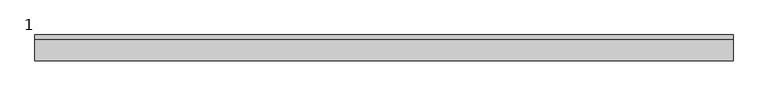
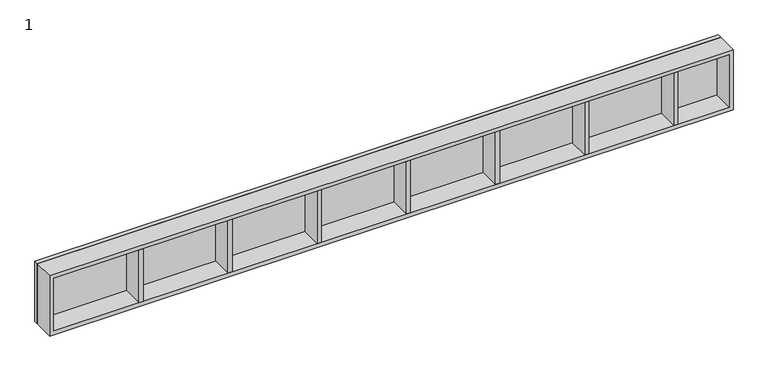
"""IFC4 building model written with IfcOpenShell, lengths in millimetres: proxy geometry, 1."""

import ifcopenshell
import ifcopenshell.guid

model = None  # the IFC model being written
_history = None  # IfcOwnerHistory: only IFC2X3 demands one
_inside = {}  # id of a spatial element -> (the spatial element, [elements in it])
_under = {}  # id of a project, library or spatial element -> (it, [spatial elements below it])
_declared = {}  # id of a project -> (the project, [libraries it declares])
_typed = {}  # id of a type object -> (the type object, [elements of that type])
_made_of = {}  # id of a material, layer set ... -> (it, [elements and type objects made of it])


def new_model(schema):
    """Start an empty IFC model of exactly this schema.

    Asked for "IFC4X3", IfcOpenShell would pick the latest addendum, in which some entities
    have other attributes; the version numbers below select the first issue.
    IFC2X3 requires an IfcOwnerHistory on every rooted entity: one is made here for all.
    """
    global model, _history
    if schema == "IFC4X3":
        model = ifcopenshell.file(schema_version=(4, 3, 0, 0))
    else:
        model = ifcopenshell.file(schema=schema)
    _inside.clear()
    _under.clear()
    _declared.clear()
    _typed.clear()
    _made_of.clear()
    _history = None
    if model.schema == "IFC2X3":
        org = make("IfcOrganization", Name="unknown")
        user = make(
            "IfcPersonAndOrganization",
            ThePerson=make("IfcPerson", FamilyName="unknown"),
            TheOrganization=org,
        )
        app = make(
            "IfcApplication",
            ApplicationDeveloper=org,
            Version="unknown",
            ApplicationFullName="unknown",
            ApplicationIdentifier="unknown",
        )
        _history = make(
            "IfcOwnerHistory",
            OwningUser=user,
            OwningApplication=app,
            ChangeAction="ADDED",
            CreationDate=0,
        )
    return model


def make(cls, **values):
    """One entity of the class cls with the attributes given. An attribute that is None is left unset."""
    return model.create_entity(
        cls, **{name: value for name, value in values.items() if value is not None}
    )


def rooted(cls, **values):
    """An entity with a GlobalId (a new one), such as an element, a storey or a relation."""
    return make(cls, GlobalId=ifcopenshell.guid.new(), OwnerHistory=_history, **values)


def si_unit(unit_type, name, prefix=None):
    """IfcSIUnit, for example si_unit("LENGTHUNIT", "METRE", prefix="MILLI")."""
    return make("IfcSIUnit", UnitType=unit_type, Prefix=prefix, Name=name)


def assignment(units):
    """IfcUnitAssignment: the units of a project."""
    return None if units is None else make("IfcUnitAssignment", Units=units)


def point(xyz):
    """IfcCartesianPoint."""
    return None if xyz is None else make("IfcCartesianPoint", Coordinates=xyz)


def direction(xyz):
    """IfcDirection."""
    return None if xyz is None else make("IfcDirection", DirectionRatios=xyz)


def frame(location, z_axis=None, x_axis=None):
    """IfcAxis2Placement3D, a coordinate frame: its origin and axes. An axis left out is left unset."""
    return make(
        "IfcAxis2Placement3D",
        Location=point(location),
        Axis=direction(z_axis),
        RefDirection=direction(x_axis),
    )


def origin():
    """The frame at (0, 0, 0) with its axes left unset."""
    return frame((0.0, 0.0, 0.0))


def place(relative_to, where):
    """IfcLocalPlacement: puts the frame where relative to a parent placement (None: the world)."""
    return make(
        "IfcLocalPlacement", PlacementRelTo=relative_to, RelativePlacement=where
    )


def context(
    kind, dimensions, precision=None, world=None, true_north=None, identifier=None
):
    """IfcGeometricRepresentationContext, for example the 3D "Model" context."""
    return make(
        "IfcGeometricRepresentationContext",
        ContextIdentifier=identifier,
        ContextType=kind,
        CoordinateSpaceDimension=dimensions,
        Precision=precision,
        WorldCoordinateSystem=world,
        TrueNorth=true_north,
    )


def project(units=None, contexts=None):
    """IfcProject with its units and contexts."""
    return rooted(
        "IfcProject",
        Name="project",
        RepresentationContexts=contexts,
        UnitsInContext=assignment(units),
    )


def spatial(cls, under=None, at=None, **own):
    """A site, building, storey or space (cls), placed at a placement, below another one or the project."""
    s = rooted(cls, ObjectPlacement=at, **own)
    if under is not None:
        _under.setdefault(under.id(), (under, []))[1].append(s)
    return s


def polyline(points):
    """IfcPolyline through the points."""
    return make("IfcPolyline", Points=[point(p) for p in points])


def outline(outer, holes=None, kind="AREA"):
    """IfcArbitraryClosedProfileDef: a profile drawn as a closed curve; with holes, ...WithVoids."""
    if holes is None:
        return make("IfcArbitraryClosedProfileDef", ProfileType=kind, OuterCurve=outer)
    return make(
        "IfcArbitraryProfileDefWithVoids",
        ProfileType=kind,
        OuterCurve=outer,
        InnerCurves=holes,
    )


def extrude(swept, where, along, depth):
    """IfcExtrudedAreaSolid: the profile swept, set in the frame where, extruded along a direction by depth."""
    return make(
        "IfcExtrudedAreaSolid",
        SweptArea=swept,
        Position=where,
        ExtrudedDirection=direction(along),
        Depth=depth,
    )


def shape(context_of_items, identifier, shape_type, items):
    """IfcShapeRepresentation: the items that make up one representation, for example the "Body"."""
    return make(
        "IfcShapeRepresentation",
        ContextOfItems=context_of_items,
        RepresentationIdentifier=identifier,
        RepresentationType=shape_type,
        Items=items,
    )


def source(mapping_origin, context_of_items, identifier, shape_type, items):
    """IfcRepresentationMap: a shape defined once, which mapped items show again and again."""
    return make(
        "IfcRepresentationMap",
        MappingOrigin=mapping_origin,
        MappedRepresentation=shape(context_of_items, identifier, shape_type, items),
    )


def transform(
    local_origin,
    x_axis=None,
    y_axis=None,
    z_axis=None,
    scale=None,
    scale2=None,
    scale3=None,
    uniform=True,
):
    """IfcCartesianTransformationOperator3D, or its non-uniform kind. x_axis, y_axis, z_axis: its Axis1, 2, 3."""
    if uniform:
        return make(
            "IfcCartesianTransformationOperator3D",
            Axis1=direction(x_axis),
            Axis2=direction(y_axis),
            LocalOrigin=point(local_origin),
            Scale=scale,
            Axis3=direction(z_axis),
        )
    return make(
        "IfcCartesianTransformationOperator3DnonUniform",
        Axis1=direction(x_axis),
        Axis2=direction(y_axis),
        LocalOrigin=point(local_origin),
        Scale=scale,
        Axis3=direction(z_axis),
        Scale2=scale2,
        Scale3=scale3,
    )


def mapped(mapping_source, mapping_target):
    """IfcMappedItem: shows the shape of a source again, moved by a transform."""
    return make(
        "IfcMappedItem", MappingSource=mapping_source, MappingTarget=mapping_target
    )


def made_of(thing, what):
    """Note that an element or type object is made of a material, layer set ...; save() writes the relation."""
    if what is not None:
        _made_of.setdefault(what.id(), (what, []))[1].append(thing)
    return thing


def element(
    cls,
    number,
    at=None,
    inside=None,
    cuts=None,
    type_object=None,
    material=None,
    context=None,
    identifier="Body",
    shape_type=None,
    held_by="IfcProductDefinitionShape",
    body=None,
    shapes=None,
    **own,
):
    """One element of the class cls, such as IfcWall. Its Tag is "e" and its number.

    at: its placement. inside: the storey or other place that contains it. cuts: it is an
    opening in that element (IfcRelVoidsElement). A single representation is given by context,
    identifier, shape_type and body (its items); several are given by shapes. held_by: the class
    of the entity that holds the representations. save() writes the other relations.
    """
    e = rooted(cls, Tag="e%d" % number, ObjectPlacement=at, **own)
    if body is not None:
        shapes = [shape(context, identifier, shape_type, body)]
    if shapes is not None:
        e.Representation = make(held_by, Representations=shapes)
    if inside is not None:
        _inside.setdefault(inside.id(), (inside, []))[1].append(e)
    if cuts is not None:
        rooted(
            "IfcRelVoidsElement", RelatingBuildingElement=cuts, RelatedOpeningElement=e
        )
    if type_object is not None:
        _typed.setdefault(type_object.id(), (type_object, []))[1].append(e)
    return made_of(e, material)


def aggregate(whole, parts):
    """IfcRelAggregates: a whole, such as a stair, and the parts it consists of."""
    return rooted("IfcRelAggregates", RelatingObject=whole, RelatedObjects=parts)


def save(model, path):
    """Write the relations noted so far, then the file.

    IfcRelAggregates (storeys below a building ...), IfcRelContainedInSpatialStructure (elements
    in a storey), IfcRelDefinesByType, IfcRelAssociatesMaterial and IfcRelDeclares: one each for
    every whole, place, type object, material and project.
    """
    for whole, parts in _under.values():
        aggregate(whole, parts)
    for where, things in _inside.values():
        rooted(
            "IfcRelContainedInSpatialStructure",
            RelatedElements=things,
            RelatingStructure=where,
        )
    for kind, things in _typed.values():
        rooted("IfcRelDefinesByType", RelatedObjects=things, RelatingType=kind)
    for what, things in _made_of.values():
        rooted("IfcRelAssociatesMaterial", RelatedObjects=things, RelatingMaterial=what)
    for by, libraries in _declared.values():
        rooted("IfcRelDeclares", RelatingContext=by, RelatedDefinitions=libraries)
    model.write(path)


def proxy_1_bacaf9ad(model_context):
    return source(origin(), model_context, "Body", "SweptSolid", [
        extrude(outline(polyline([(1480.0, -60.0), (1470.0, -60.0), (1470.0, -10.0), (1480.0, -10.0), (1480.0, -60.0)])), frame((0.0, 0.0, 470.0), z_axis=(0.0, 0.0, 1.0), x_axis=(1.0, 0.0, 0.0)), (0.0, 0.0, 1.0), 130.0),
        extrude(outline(polyline([(1610.0, -10.0), (0.0, -10.0), (0.0, 0.0), (1610.0, 0.0), (1610.0, -10.0)])), frame((0.0, 0.0, 460.0), z_axis=(0.0, 0.0, 1.0), x_axis=(1.0, 0.0, 0.0)), (0.0, 0.0, 1.0), 150.0),
        extrude(outline(polyline([(1270.0, -60.0), (1260.0, -60.0), (1260.0, -10.0), (1270.0, -10.0), (1270.0, -60.0)])), frame((0.0, 0.0, 470.0), z_axis=(0.0, 0.0, 1.0), x_axis=(1.0, 0.0, 0.0)), (0.0, 0.0, 1.0), 130.0),
        extrude(outline(polyline([(1060.0, -60.0), (1050.0, -60.0), (1050.0, -10.0), (1060.0, -10.0), (1060.0, -60.0)])), frame((0.0, 0.0, 470.0), z_axis=(0.0, 0.0, 1.0), x_axis=(1.0, 0.0, 0.0)), (0.0, 0.0, 1.0), 130.0),
        extrude(outline(polyline([(850.0, -60.0), (840.0, -60.0), (840.0, -10.0), (850.0, -10.0), (850.0, -60.0)])), frame((0.0, 0.0, 470.0), z_axis=(0.0, 0.0, 1.0), x_axis=(1.0, 0.0, 0.0)), (0.0, 0.0, 1.0), 130.0),
        extrude(outline(polyline([(640.0, -60.0), (630.0, -60.0), (630.0, -10.0), (640.0, -10.0), (640.0, -60.0)])), frame((0.0, 0.0, 470.0), z_axis=(0.0, 0.0, 1.0), x_axis=(1.0, 0.0, 0.0)), (0.0, 0.0, 1.0), 130.0),
        extrude(outline(polyline([(430.0, -60.0), (420.0, -60.0), (420.0, -10.0), (430.0, -10.0), (430.0, -60.0)])), frame((0.0, 0.0, 470.0), z_axis=(0.0, 0.0, 1.0), x_axis=(1.0, 0.0, 0.0)), (0.0, 0.0, 1.0), 130.0),
        extrude(outline(polyline([(220.0, -60.0), (210.0, -60.0), (210.0, -10.0), (220.0, -10.0), (220.0, -60.0)])), frame((0.0, 0.0, 470.0), z_axis=(0.0, 0.0, 1.0), x_axis=(1.0, 0.0, 0.0)), (0.0, 0.0, 1.0), 130.0),
        extrude(outline(polyline([(610.0, 1610.0), (610.0, 0.0), (460.0, 0.0), (460.0, 1610.0), (610.0, 1610.0)]), holes=[polyline([(600.0, 1600.378195), (470.0, 1600.378195), (470.0, 10.0), (600.0, 10.0), (600.0, 1600.378195)])]), frame((0.0, -60.0, 0.0), z_axis=(0.0, 1.0, 0.0), x_axis=(0.0, 0.0, 1.0)), (0.0, 0.0, 1.0), 50.0),
    ])


if __name__ == "__main__":
    model = new_model("IFC4")
    model_context = context("Model", 3, world=origin())
    ifc_project = project(units=[si_unit("LENGTHUNIT", "METRE", prefix="MILLI")], contexts=[model_context])
    site = spatial("IfcSite", under=ifc_project)
    building = spatial("IfcBuilding", under=site)
    placement = place(None, origin())
    proxy_1_shape = proxy_1_bacaf9ad(model_context)
    element("IfcBuildingElementProxy", 1, Name="1", ObjectType="1", at=placement, inside=building, context=model_context, shape_type="MappedRepresentation", body=[
        mapped(proxy_1_shape, transform((0.0, 0.0, 0.0), x_axis=(1.0, 0.0, 0.0), y_axis=(0.0, 1.0, 0.0), z_axis=(0.0, 0.0, 1.0))),
    ])
    save(model, "model.ifc")
